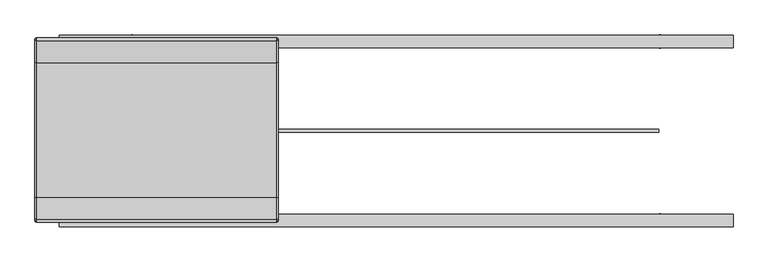
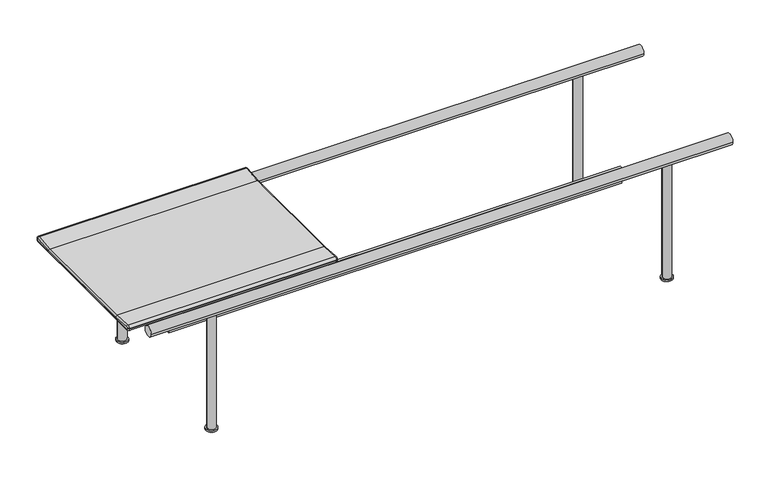
"""IFC4 building model written with IfcOpenShell, lengths in millimetres: furniture geometry."""

import ifcopenshell
import ifcopenshell.guid

model = None  # the IFC model being written
_history = None  # IfcOwnerHistory: only IFC2X3 demands one
_inside = {}  # id of a spatial element -> (the spatial element, [elements in it])
_under = {}  # id of a project, library or spatial element -> (it, [spatial elements below it])
_declared = {}  # id of a project -> (the project, [libraries it declares])
_typed = {}  # id of a type object -> (the type object, [elements of that type])
_made_of = {}  # id of a material, layer set ... -> (it, [elements and type objects made of it])


def new_model(schema):
    """Start an empty IFC model of exactly this schema.

    Asked for "IFC4X3", IfcOpenShell would pick the latest addendum, in which some entities
    have other attributes; the version numbers below select the first issue.
    IFC2X3 requires an IfcOwnerHistory on every rooted entity: one is made here for all.
    """
    global model, _history
    if schema == "IFC4X3":
        model = ifcopenshell.file(schema_version=(4, 3, 0, 0))
    else:
        model = ifcopenshell.file(schema=schema)
    _inside.clear()
    _under.clear()
    _declared.clear()
    _typed.clear()
    _made_of.clear()
    _history = None
    if model.schema == "IFC2X3":
        org = make("IfcOrganization", Name="unknown")
        user = make(
            "IfcPersonAndOrganization",
            ThePerson=make("IfcPerson", FamilyName="unknown"),
            TheOrganization=org,
        )
        app = make(
            "IfcApplication",
            ApplicationDeveloper=org,
            Version="unknown",
            ApplicationFullName="unknown",
            ApplicationIdentifier="unknown",
        )
        _history = make(
            "IfcOwnerHistory",
            OwningUser=user,
            OwningApplication=app,
            ChangeAction="ADDED",
            CreationDate=0,
        )
    return model


def make(cls, **values):
    """One entity of the class cls with the attributes given. An attribute that is None is left unset."""
    return model.create_entity(
        cls, **{name: value for name, value in values.items() if value is not None}
    )


def rooted(cls, **values):
    """An entity with a GlobalId (a new one), such as an element, a storey or a relation."""
    return make(cls, GlobalId=ifcopenshell.guid.new(), OwnerHistory=_history, **values)


def si_unit(unit_type, name, prefix=None):
    """IfcSIUnit, for example si_unit("LENGTHUNIT", "METRE", prefix="MILLI")."""
    return make("IfcSIUnit", UnitType=unit_type, Prefix=prefix, Name=name)


def assignment(units):
    """IfcUnitAssignment: the units of a project."""
    return None if units is None else make("IfcUnitAssignment", Units=units)


def point(xyz):
    """IfcCartesianPoint."""
    return None if xyz is None else make("IfcCartesianPoint", Coordinates=xyz)


def direction(xyz):
    """IfcDirection."""
    return None if xyz is None else make("IfcDirection", DirectionRatios=xyz)


def frame(location, z_axis=None, x_axis=None):
    """IfcAxis2Placement3D, a coordinate frame: its origin and axes. An axis left out is left unset."""
    return make(
        "IfcAxis2Placement3D",
        Location=point(location),
        Axis=direction(z_axis),
        RefDirection=direction(x_axis),
    )


def frame_2d(location, x_axis=None):
    """IfcAxis2Placement2D, a coordinate frame in the plane: its origin and x axis."""
    return make(
        "IfcAxis2Placement2D", Location=point(location), RefDirection=direction(x_axis)
    )


def origin():
    """The frame at (0, 0, 0) with its axes left unset."""
    return frame((0.0, 0.0, 0.0))


def origin_with_axes():
    """The frame at (0, 0, 0) with the z axis (0, 0, 1) and the x axis (1, 0, 0) written out."""
    return frame((0.0, 0.0, 0.0), z_axis=(0.0, 0.0, 1.0), x_axis=(1.0, 0.0, 0.0))


def place(relative_to, where):
    """IfcLocalPlacement: puts the frame where relative to a parent placement (None: the world)."""
    return make(
        "IfcLocalPlacement", PlacementRelTo=relative_to, RelativePlacement=where
    )


def context(
    kind, dimensions, precision=None, world=None, true_north=None, identifier=None
):
    """IfcGeometricRepresentationContext, for example the 3D "Model" context."""
    return make(
        "IfcGeometricRepresentationContext",
        ContextIdentifier=identifier,
        ContextType=kind,
        CoordinateSpaceDimension=dimensions,
        Precision=precision,
        WorldCoordinateSystem=world,
        TrueNorth=true_north,
    )


def project(units=None, contexts=None):
    """IfcProject with its units and contexts."""
    return rooted(
        "IfcProject",
        Name="project",
        RepresentationContexts=contexts,
        UnitsInContext=assignment(units),
    )


def spatial(cls, under=None, at=None, **own):
    """A site, building, storey or space (cls), placed at a placement, below another one or the project."""
    s = rooted(cls, ObjectPlacement=at, **own)
    if under is not None:
        _under.setdefault(under.id(), (under, []))[1].append(s)
    return s


def polyline(points):
    """IfcPolyline through the points."""
    return make("IfcPolyline", Points=[point(p) for p in points])


def circle_curve(where, radius):
    """IfcCircle in the frame where."""
    return make("IfcCircle", Position=where, Radius=radius)


def ellipse_curve(where, semi_axis1, semi_axis2):
    """IfcEllipse in the frame where."""
    return make(
        "IfcEllipse", Position=where, SemiAxis1=semi_axis1, SemiAxis2=semi_axis2
    )


def trimmed(basis, trim1, trim2, sense, master):
    """IfcTrimmedCurve: the piece of a basis curve between two trims."""
    return make(
        "IfcTrimmedCurve",
        BasisCurve=basis,
        Trim1=trim1,
        Trim2=trim2,
        SenseAgreement=sense,
        MasterRepresentation=master,
    )


def segment(curve, same_sense, transition):
    """IfcCompositeCurveSegment."""
    return make(
        "IfcCompositeCurveSegment",
        Transition=transition,
        SameSense=same_sense,
        ParentCurve=curve,
    )


def composite_curve(segments, self_intersect=None):
    """IfcCompositeCurve: segments joined end to end."""
    return make("IfcCompositeCurve", Segments=segments, SelfIntersect=self_intersect)


def outline(outer, holes=None, kind="AREA"):
    """IfcArbitraryClosedProfileDef: a profile drawn as a closed curve; with holes, ...WithVoids."""
    if holes is None:
        return make("IfcArbitraryClosedProfileDef", ProfileType=kind, OuterCurve=outer)
    return make(
        "IfcArbitraryProfileDefWithVoids",
        ProfileType=kind,
        OuterCurve=outer,
        InnerCurves=holes,
    )


def extrude(swept, where, along, depth):
    """IfcExtrudedAreaSolid: the profile swept, set in the frame where, extruded along a direction by depth."""
    return make(
        "IfcExtrudedAreaSolid",
        SweptArea=swept,
        Position=where,
        ExtrudedDirection=direction(along),
        Depth=depth,
    )


def shape(context_of_items, identifier, shape_type, items):
    """IfcShapeRepresentation: the items that make up one representation, for example the "Body"."""
    return make(
        "IfcShapeRepresentation",
        ContextOfItems=context_of_items,
        RepresentationIdentifier=identifier,
        RepresentationType=shape_type,
        Items=items,
    )


def source(mapping_origin, context_of_items, identifier, shape_type, items):
    """IfcRepresentationMap: a shape defined once, which mapped items show again and again."""
    return make(
        "IfcRepresentationMap",
        MappingOrigin=mapping_origin,
        MappedRepresentation=shape(context_of_items, identifier, shape_type, items),
    )


def transform(
    local_origin,
    x_axis=None,
    y_axis=None,
    z_axis=None,
    scale=None,
    scale2=None,
    scale3=None,
    uniform=True,
):
    """IfcCartesianTransformationOperator3D, or its non-uniform kind. x_axis, y_axis, z_axis: its Axis1, 2, 3."""
    if uniform:
        return make(
            "IfcCartesianTransformationOperator3D",
            Axis1=direction(x_axis),
            Axis2=direction(y_axis),
            LocalOrigin=point(local_origin),
            Scale=scale,
            Axis3=direction(z_axis),
        )
    return make(
        "IfcCartesianTransformationOperator3DnonUniform",
        Axis1=direction(x_axis),
        Axis2=direction(y_axis),
        LocalOrigin=point(local_origin),
        Scale=scale,
        Axis3=direction(z_axis),
        Scale2=scale2,
        Scale3=scale3,
    )


def mapped(mapping_source, mapping_target):
    """IfcMappedItem: shows the shape of a source again, moved by a transform."""
    return make(
        "IfcMappedItem", MappingSource=mapping_source, MappingTarget=mapping_target
    )


def made_of(thing, what):
    """Note that an element or type object is made of a material, layer set ...; save() writes the relation."""
    if what is not None:
        _made_of.setdefault(what.id(), (what, []))[1].append(thing)
    return thing


def element(
    cls,
    number,
    at=None,
    inside=None,
    cuts=None,
    type_object=None,
    material=None,
    context=None,
    identifier="Body",
    shape_type=None,
    held_by="IfcProductDefinitionShape",
    body=None,
    shapes=None,
    **own,
):
    """One element of the class cls, such as IfcWall. Its Tag is "e" and its number.

    at: its placement. inside: the storey or other place that contains it. cuts: it is an
    opening in that element (IfcRelVoidsElement). A single representation is given by context,
    identifier, shape_type and body (its items); several are given by shapes. held_by: the class
    of the entity that holds the representations. save() writes the other relations.
    """
    e = rooted(cls, Tag="e%d" % number, ObjectPlacement=at, **own)
    if body is not None:
        shapes = [shape(context, identifier, shape_type, body)]
    if shapes is not None:
        e.Representation = make(held_by, Representations=shapes)
    if inside is not None:
        _inside.setdefault(inside.id(), (inside, []))[1].append(e)
    if cuts is not None:
        rooted(
            "IfcRelVoidsElement", RelatingBuildingElement=cuts, RelatedOpeningElement=e
        )
    if type_object is not None:
        _typed.setdefault(type_object.id(), (type_object, []))[1].append(e)
    return made_of(e, material)


def aggregate(whole, parts):
    """IfcRelAggregates: a whole, such as a stair, and the parts it consists of."""
    return rooted("IfcRelAggregates", RelatingObject=whole, RelatedObjects=parts)


def save(model, path):
    """Write the relations noted so far, then the file.

    IfcRelAggregates (storeys below a building ...), IfcRelContainedInSpatialStructure (elements
    in a storey), IfcRelDefinesByType, IfcRelAssociatesMaterial and IfcRelDeclares: one each for
    every whole, place, type object, material and project.
    """
    for whole, parts in _under.values():
        aggregate(whole, parts)
    for where, things in _inside.values():
        rooted(
            "IfcRelContainedInSpatialStructure",
            RelatedElements=things,
            RelatingStructure=where,
        )
    for kind, things in _typed.values():
        rooted("IfcRelDefinesByType", RelatedObjects=things, RelatingType=kind)
    for what, things in _made_of.values():
        rooted("IfcRelAssociatesMaterial", RelatedObjects=things, RelatingMaterial=what)
    for by, libraries in _declared.values():
        rooted("IfcRelDeclares", RelatingContext=by, RelatedDefinitions=libraries)
    model.write(path)


def plane_surface(at):
    """IfcPlane: the flat surface through the origin of the frame at, square to its z axis."""
    return make("IfcPlane", Position=at)


def cylinder_surface(at, radius):
    """IfcCylindricalSurface: all points at the distance radius from the z axis of the frame at."""
    return make("IfcCylindricalSurface", Position=at, Radius=radius)


def revolved_surface(curve, axis_point, axis_direction):
    """IfcSurfaceOfRevolution: the curve turned about the line through axis_point along axis_direction."""
    return make(
        "IfcSurfaceOfRevolution",
        SweptCurve=make("IfcArbitraryOpenProfileDef", ProfileType="CURVE", Curve=curve),
        AxisPosition=make("IfcAxis1Placement", Location=point(axis_point), Axis=direction(axis_direction)),
    )


def advanced_brep(points, edges, surfaces, faces):
    """IfcAdvancedBrep: a solid bounded by faces that lie on surfaces and meet in shared edges.

    An edge is (start, end): straight between two places in points (the first is 0);
    or (start, end, curve); or (start, end, curve, False) where it runs against its curve.
    A face is (place in surfaces, loops), or (place, loops, False) where it looks against
    its surface's normal. A loop lists edges by number (the first is 1), with a minus sign
    where the edge is run from its end to its start. The first loop is the outer one.
    """
    corners = [point(p) for p in points]
    vertices = [make("IfcVertexPoint", VertexGeometry=c) for c in corners]
    made = []
    for start, end, *more in edges:
        made.append(
            make(
                "IfcEdgeCurve",
                EdgeStart=vertices[start],
                EdgeEnd=vertices[end],
                EdgeGeometry=more[0] if more else make("IfcPolyline", Points=[corners[start], corners[end]]),
                SameSense=more[1] if len(more) > 1 else True,
            )
        )
    hull = []
    for where, loops, *sense in faces:
        bounds = []
        for j, loop in enumerate(loops):
            ring = [make("IfcOrientedEdge", EdgeElement=made[abs(k) - 1], Orientation=k > 0) for k in loop]
            bounds.append(
                make(
                    "IfcFaceOuterBound" if j == 0 else "IfcFaceBound",
                    Bound=make("IfcEdgeLoop", EdgeList=ring),
                    Orientation=True,
                )
            )
        hull.append(make("IfcAdvancedFace", Bounds=bounds, FaceSurface=surfaces[where], SameSense=sense[0] if sense else True))
    return make("IfcAdvancedBrep", Outer=make("IfcClosedShell", CfsFaces=hull))


def furniture_730a962e(model_context):
    return source(origin(), model_context, "Body", "SolidModel", [
        advanced_brep(
        [(-315.5, 181.9050033, 423.2281613), (-315.5, -176.912469, 423.2281613), (-315.5, -235.6696536, 427.3368639), (-315.5, -238.3342698, 425.0638151), (-315.5, -238.5253765, 422.9090742), (-315.5, -236.2560129, 420.1979879), (-315.5, -235.4260063, 420.1243736), (-315.5, 240.4185407, 420.1243736), (-315.5, 241.2485472, 420.1979879), (-315.5, 243.5179109, 422.9090742), (-315.5, 243.3268041, 425.0638151), (-315.5, 240.662188, 427.3368639), (-965.1060612, -176.912469, 423.2281613), (-965.1060612, 181.9050033, 423.2281613), (-965.1060612, 240.662188, 427.3368639), (-965.1060612, 243.3268041, 425.0638151), (-965.1060612, 243.5179109, 422.9090742), (-965.1060612, 241.2485472, 420.1979879), (-965.1060612, 240.4185407, 420.1243736), (-965.1060612, -235.4260063, 420.1243736), (-965.1060612, -236.2560129, 420.1979879), (-965.1060612, -238.5253765, 422.9090742), (-965.1060612, -238.3342698, 425.0638151), (-965.1060612, -235.6696536, 427.3368639), (-960.1060612, 248.307254, 425.5055377), (-960.1060612, 240.3134056, 432.3246842), (-320.5, 240.3134056, 432.3246842), (-320.5, 248.307254, 425.5055377), (-960.1060612, 181.556221, 428.2159816), (-320.5, 181.556221, 428.2159816), (-960.1060612, -176.5636866, 428.2159816), (-320.5, -176.5636866, 428.2159816), (-960.1060612, -235.3208713, 432.3246842), (-320.5, -235.3208713, 432.3246842), (-960.1060612, -243.3147197, 425.5055377), (-320.5, -243.3147197, 425.5055377), (-960.1060612, -243.5058264, 423.3507968), (-320.5, -243.5058264, 423.3507968), (-960.1060612, -236.6977355, 415.217538), (-960.1060612, -235.8677289, 415.1439237), (-320.5, -235.8677289, 415.1439237), (-320.5, -236.6977355, 415.217538), (-960.1060612, 240.8602632, 415.1439237), (-320.5, 240.8602632, 415.1439237), (-960.1060612, 241.6902698, 415.217538), (-320.5, 241.6902698, 415.217538), (-960.1060612, 248.4983608, 423.3507968), (-320.5, 248.4983608, 423.3507968)],
        [
            (0, 1, circle_curve(frame((-315.5, 2.4962672, 2988.8926207), z_axis=(-1.0, 0.0, 0.0), x_axis=(0.0, -0.06975647374412147, -0.9975640502598245)), 2571.9295505)),
            (1, 2),
            (2, 3, circle_curve(frame((-315.5, -235.8440448, 424.8429538), z_axis=(1.0, 0.0, 0.0), x_axis=(0.0, -0.9960899788744718, 0.08834451870860047)), 2.5)),
            (3, 4),
            (4, 5, circle_curve(frame((-315.5, -236.0351516, 422.6882129), z_axis=(1.0, 0.0, 0.0), x_axis=(0.0, -0.08834451870869087, -0.9960899788744638)), 2.5)),
            (5, 6),
            (6, 7, circle_curve(frame((-315.5, 2.4962672, 3102.7129013), z_axis=(1.0, 0.0, 0.0), x_axis=(0.0, 0.08834451870780052, -0.9960899788745428)), 2693.1186787)),
            (7, 8),
            (8, 9, circle_curve(frame((-315.5, 241.0276859, 422.6882129), z_axis=(1.0, 0.0, 0.0), x_axis=(0.0, 0.996089978874471, 0.08834451870860997)), 2.5)),
            (9, 10),
            (10, 11, circle_curve(frame((-315.5, 240.8365791, 424.8429538), z_axis=(1.0, 0.0, 0.0), x_axis=(0.0, -0.06975647374412368, 0.9975640502598243)), 2.5)),
            (11, 0),
            (12, 13, circle_curve(frame((-965.1060612, 2.4962672, 2988.8926207), z_axis=(1.0, 0.0, 0.0), x_axis=(0.0, -0.06975647374412147, -0.9975640502598245)), 2571.9295505)),
            (13, 14),
            (14, 15, circle_curve(frame((-965.1060612, 240.8365791, 424.8429538), z_axis=(-1.0, 0.0, 0.0), x_axis=(0.0, -0.06975647374412368, 0.9975640502598243)), 2.5)),
            (15, 16),
            (16, 17, circle_curve(frame((-965.1060612, 241.0276859, 422.6882129), z_axis=(-1.0, 0.0, 0.0), x_axis=(0.0, 0.996089978874471, 0.08834451870860997)), 2.5)),
            (17, 18),
            (18, 19, circle_curve(frame((-965.1060612, 2.4962672, 3102.7129013), z_axis=(-1.0, 0.0, 0.0), x_axis=(0.0, 0.08834451870780052, -0.9960899788745428)), 2693.1186787)),
            (19, 20),
            (20, 21, circle_curve(frame((-965.1060612, -236.0351516, 422.6882129), z_axis=(-1.0, 0.0, 0.0), x_axis=(0.0, -0.08834451870869087, -0.9960899788744638)), 2.5)),
            (21, 22),
            (22, 23, circle_curve(frame((-965.1060612, -235.8440448, 424.8429538), z_axis=(-1.0, 0.0, 0.0), x_axis=(0.0, -0.9960899788744718, 0.08834451870860047)), 2.5)),
            (23, 12),
            (24, 25, circle_curve(frame((-960.1060612, 240.8365791, 424.8429538), z_axis=(1.0, 0.0, 0.0), x_axis=(0.0, -1.0, 0.0)), 7.5)),
            (25, 26),
            (26, 27, circle_curve(frame((-320.5, 240.8365791, 424.8429538), z_axis=(-1.0, 0.0, 0.0), x_axis=(0.0, -1.0, 0.0)), 7.5)),
            (27, 24),
            (25, 28),
            (28, 29),
            (29, 26),
            (28, 30, circle_curve(frame((-960.1060612, 2.4962672, 2988.8926207), z_axis=(-1.0, 0.0, 0.0), x_axis=(0.0, -1.0, 0.0)), 2566.9295505)),
            (30, 31),
            (31, 29, circle_curve(frame((-320.5, 2.4962672, 2988.8926207), z_axis=(1.0, 0.0, 0.0), x_axis=(0.0, -1.0, 0.0)), 2566.9295505)),
            (30, 32),
            (32, 33),
            (33, 31),
            (32, 34, circle_curve(frame((-960.1060612, -235.8440448, 424.8429538), z_axis=(1.0, 0.0, 0.0), x_axis=(0.0, -1.0, 0.0)), 7.5)),
            (34, 35),
            (35, 33, circle_curve(frame((-320.5, -235.8440448, 424.8429538), z_axis=(-1.0, 0.0, 0.0), x_axis=(0.0, -1.0, 0.0)), 7.5)),
            (34, 36),
            (36, 37),
            (37, 35),
            (38, 39),
            (39, 40),
            (40, 41),
            (41, 38),
            (39, 42, circle_curve(frame((-960.1060612, 2.4962672, 3102.7129013), z_axis=(1.0, 0.0, 0.0), x_axis=(0.0, -1.0, 0.0)), 2698.1186787)),
            (42, 43),
            (43, 40, circle_curve(frame((-320.5, 2.4962672, 3102.7129013), z_axis=(-1.0, 0.0, 0.0), x_axis=(0.0, -1.0, 0.0)), 2698.1186787)),
            (42, 44),
            (44, 45),
            (45, 43),
            (46, 24),
            (27, 47),
            (47, 46),
            (36, 38, circle_curve(frame((-960.1060612, -236.0351516, 422.6882129), z_axis=(1.0, 0.0, 0.0), x_axis=(0.0, -1.0, 0.0)), 7.5)),
            (41, 37, circle_curve(frame((-320.5, -236.0351516, 422.6882129), z_axis=(-1.0, 0.0, 0.0), x_axis=(0.0, -1.0, 0.0)), 7.5)),
            (44, 46, circle_curve(frame((-960.1060612, 241.0276859, 422.6882129), z_axis=(1.0, 0.0, 0.0), x_axis=(0.0, -1.0, 0.0)), 7.5)),
            (47, 45, circle_curve(frame((-320.5, 241.0276859, 422.6882129), z_axis=(-1.0, 0.0, 0.0), x_axis=(0.0, -1.0, 0.0)), 7.5)),
            (28, 13, circle_curve(frame((-960.1060612, 181.9050033, 423.2281613), z_axis=(0.0, -0.9975640502598243, -0.06975647374412525), x_axis=(1.0, 0.0, 0.0)), 5.0)),
            (12, 30, circle_curve(frame((-960.1060612, -176.912469, 423.2281613), z_axis=(0.0, 0.9975640502598245, -0.06975647374412139), x_axis=(1.0, 0.0, 0.0)), 5.0)),
            (25, 14, circle_curve(frame((-960.1060612, 240.662188, 427.3368639), z_axis=(0.0, -0.9975640502598243, -0.06975647374412515), x_axis=(1.0, 0.0, 0.0)), 5.0)),
            (24, 15, circle_curve(frame((-960.1060612, 243.3268041, 425.0638151), z_axis=(0.0, -0.08834451870861786, 0.9960899788744703), x_axis=(1.0, 0.0, 0.0)), 5.0)),
            (46, 16, circle_curve(frame((-960.1060612, 243.5179109, 422.9090742), z_axis=(0.0, -0.08834451870861516, 0.9960899788744705), x_axis=(1.0, 0.0, 0.0)), 5.0)),
            (44, 17, circle_curve(frame((-960.1060612, 241.2485472, 420.1979879), z_axis=(0.0, 0.9960899788745426, 0.08834451870780215), x_axis=(1.0, 0.0, 0.0)), 5.0)),
            (42, 18, circle_curve(frame((-960.1060612, 240.4185407, 420.1243736), z_axis=(0.0, 0.9960899788745432, 0.08834451870779789), x_axis=(1.0, 0.0, 0.0)), 5.0)),
            (39, 19, circle_curve(frame((-960.1060612, -235.4260063, 420.1243736), z_axis=(0.0, 0.996089978874464, -0.08834451870868822), x_axis=(1.0, 0.0, 0.0)), 5.0)),
            (38, 20, circle_curve(frame((-960.1060612, -236.2560129, 420.1979879), z_axis=(0.0, 0.9960899788744636, -0.08834451870869461), x_axis=(1.0, 0.0, 0.0)), 5.0)),
            (36, 21, circle_curve(frame((-960.1060612, -238.5253765, 422.9090742), z_axis=(0.0, -0.08834451870860094, -0.9960899788744718), x_axis=(1.0, 0.0, 0.0)), 5.0)),
            (34, 22, circle_curve(frame((-960.1060612, -238.3342698, 425.0638151), z_axis=(0.0, -0.08834451870860677, -0.9960899788744714), x_axis=(1.0, 0.0, 0.0)), 5.0)),
            (32, 23, circle_curve(frame((-960.1060612, -235.6696536, 427.3368639), z_axis=(0.0, -0.9975640502598245, 0.06975647374412108), x_axis=(1.0, 0.0, 0.0)), 5.0)),
            (0, 29, circle_curve(frame((-320.5, 181.9050033, 423.2281613), z_axis=(0.0, -0.9975640502598243, -0.06975647374412519), x_axis=(-1.0, 0.0, 0.0)), 5.0)),
            (31, 1, circle_curve(frame((-320.5, -176.912469, 423.2281613), z_axis=(0.0, 0.9975640502598245, -0.06975647374412139), x_axis=(-1.0, 0.0, 0.0)), 5.0)),
            (11, 26, circle_curve(frame((-320.5, 240.662188, 427.3368639), z_axis=(0.0, -0.9975640502598244, -0.06975647374412519), x_axis=(-1.0, 0.0, 0.0)), 5.0)),
            (10, 27, circle_curve(frame((-320.5, 243.3268041, 425.0638151), z_axis=(0.0, -0.0883445187086484, 0.9960899788744676), x_axis=(-1.0, 0.0, 0.0)), 5.0)),
            (9, 47, circle_curve(frame((-320.5, 243.5179109, 422.9090742), z_axis=(0.0, -0.08834451870861519, 0.9960899788744705), x_axis=(-1.0, 0.0, 0.0)), 5.0)),
            (8, 45, circle_curve(frame((-320.5, 241.2485472, 420.1979879), z_axis=(0.0, 0.996089978874542, 0.08834451870780947), x_axis=(-1.0, 0.0, 0.0)), 5.0)),
            (7, 43, circle_curve(frame((-320.5, 240.4185407, 420.1243736), z_axis=(0.0, 0.9960899788745432, 0.08834451870779796), x_axis=(-1.0, 0.0, 0.0)), 5.0)),
            (6, 40, circle_curve(frame((-320.5, -235.4260063, 420.1243736), z_axis=(0.0, 0.996089978874464, -0.08834451870868819), x_axis=(-1.0, 0.0, 0.0)), 5.0)),
            (5, 41, circle_curve(frame((-320.5, -236.2560129, 420.1979879), z_axis=(0.0, 0.9960899788744635, -0.08834451870869456), x_axis=(-1.0, 0.0, 0.0)), 5.0)),
            (4, 37, circle_curve(frame((-320.5, -238.5253765, 422.9090742), z_axis=(0.0, -0.08834451870860996, -0.996089978874471), x_axis=(-1.0, 0.0, 0.0)), 5.0)),
            (3, 35, circle_curve(frame((-320.5, -238.3342698, 425.0638151), z_axis=(0.0, -0.08834451870860673, -0.9960899788744714), x_axis=(-1.0, 0.0, 0.0)), 5.0)),
            (2, 33, circle_curve(frame((-320.5, -235.6696536, 427.3368639), z_axis=(0.0, -0.9975640502598242, 0.06975647374412614), x_axis=(-1.0, 0.0, 0.0)), 5.0)),
        ],
        [
            plane_surface(frame((-315.5, 233.3365791, 424.8429538), z_axis=(1.0, 0.0, 0.0), x_axis=(0.0, 0.0, -1.0))),
            plane_surface(frame((-965.1060612, 233.3365791, 424.8429538), z_axis=(-1.0, 0.0, 0.0), x_axis=(0.0, 0.0, 1.0))),
            cylinder_surface(frame((-965.1060612, 240.8365791, 424.8429538), z_axis=(1.0, 0.0, 0.0), x_axis=(0.0, -1.0, 0.0)), 7.5),
            plane_surface(frame((-315.5, 240.3134056, 432.3246842), z_axis=(0.0, -0.06975647374412508, 0.9975640502598243), x_axis=(-1.0, 0.0, 0.0))),
            revolved_surface(polyline([(-960.1060612, -2564.4332833, 2988.8926207), (-320.5, -2564.4332833, 2988.8926207)]), (-965.1060612, 2.4962672, 2988.8926207), (-1.0, 0.0, 0.0)),
            plane_surface(frame((-315.5, -176.5636866, 428.2159816), z_axis=(0.0, 0.06975647374412194, 0.9975640502598245), x_axis=(-1.0, 0.0, 0.0))),
            cylinder_surface(frame((-965.1060612, -235.8440448, 424.8429538), z_axis=(1.0, 0.0, 0.0), x_axis=(0.0, -1.0, 0.0)), 7.5),
            plane_surface(frame((-315.5, -243.3147197, 425.5055377), z_axis=(0.0, -0.9960899788744714, 0.08834451870860684), x_axis=(-1.0, 0.0, 0.0))),
            plane_surface(frame((-315.5, -236.6977355, 415.217538), z_axis=(0.0, -0.08834451870869824, -0.9960899788744633), x_axis=(-1.0, 0.0, 0.0))),
            cylinder_surface(frame((-965.1060612, 2.4962672, 3102.7129013), z_axis=(1.0, 0.0, 0.0), x_axis=(0.0, -1.0, 0.0)), 2698.1186787),
            plane_surface(frame((-315.5, 240.8602632, 415.1439237), z_axis=(0.0, 0.08834451870777084, -0.9960899788745454), x_axis=(-1.0, 0.0, 0.0))),
            plane_surface(frame((-315.5, 248.4983608, 423.3507968), z_axis=(0.0, 0.9960899788744708, 0.08834451870861235), x_axis=(-1.0, 0.0, 0.0))),
            cylinder_surface(frame((-965.1060612, -236.0351516, 422.6882129), z_axis=(1.0, 0.0, 0.0), x_axis=(0.0, -1.0, 0.0)), 7.5),
            cylinder_surface(frame((-965.1060612, 241.0276859, 422.6882129), z_axis=(1.0, 0.0, 0.0), x_axis=(0.0, -1.0, 0.0)), 7.5),
            revolved_surface(trimmed(ellipse_curve(frame((-960.1060612, -176.912469, 423.2281613), z_axis=(0.0, -0.9975640502598245, 0.06975647374412139), x_axis=(1.0, 0.0, 0.0)), 5.0, 5.0), [point((-960.1060612, -176.5636866, 428.2159816))], [point((-965.1060612, -176.912469, 423.2281613))], True, "CARTESIAN"), (-965.1060612, 2.4962672, 2988.8926207), (1.0, 0.0, 0.0)),
            cylinder_surface(frame((-960.1060612, 181.9050033, 423.2281613), z_axis=(0.0, 0.9975640502598243, 0.06975647374412515), x_axis=(1.0, 0.0, 0.0)), 5.0),
            revolved_surface(trimmed(ellipse_curve(frame((-960.1060612, 240.662188, 427.3368639), z_axis=(0.0, -0.9975640502598243, -0.06975647374412383), x_axis=(1.0, 0.0, 0.0)), 5.0, 5.0), [point((-960.1060612, 240.3134056, 432.3246842))], [point((-965.1060612, 240.662188, 427.3368639))], True, "CARTESIAN"), (-965.1060612, 240.8365791, 424.8429538), (-1.0, 0.0, 0.0)),
            cylinder_surface(frame((-960.1060612, 243.3268041, 425.0638151), z_axis=(0.0, 0.08834451870861516, -0.9960899788744705), x_axis=(1.0, 0.0, 0.0)), 5.0),
            revolved_surface(trimmed(ellipse_curve(frame((-960.1060612, 243.5179109, 422.9090742), z_axis=(0.0, -0.08834451870861004, 0.996089978874471), x_axis=(1.0, 0.0, 0.0)), 5.0, 5.0), [point((-960.1060612, 248.4983608, 423.3507968))], [point((-965.1060612, 243.5179109, 422.9090742))], True, "CARTESIAN"), (-965.1060612, 241.0276859, 422.6882129), (-1.0, 0.0, 0.0)),
            cylinder_surface(frame((-960.1060612, 241.2485472, 420.1979879), z_axis=(0.0, -0.9960899788745432, -0.08834451870779789), x_axis=(1.0, 0.0, 0.0)), 5.0),
            revolved_surface(trimmed(ellipse_curve(frame((-960.1060612, 240.4185407, 420.1243736), z_axis=(0.0, 0.9960899788745428, 0.08834451870780066), x_axis=(1.0, 0.0, 0.0)), 5.0, 5.0), [point((-960.1060612, 240.8602632, 415.1439237))], [point((-965.1060612, 240.4185407, 420.1243736))], True, "CARTESIAN"), (-965.1060612, 2.4962672, 3102.7129013), (-1.0, 0.0, 0.0)),
            cylinder_surface(frame((-960.1060612, -235.4260063, 420.1243736), z_axis=(0.0, -0.9960899788744636, 0.08834451870869461), x_axis=(1.0, 0.0, 0.0)), 5.0),
            revolved_surface(trimmed(ellipse_curve(frame((-960.1060612, -236.2560129, 420.1979879), z_axis=(0.0, 0.9960899788744638, -0.0883445187086908), x_axis=(1.0, 0.0, 0.0)), 5.0, 5.0), [point((-960.1060612, -236.6977355, 415.217538))], [point((-965.1060612, -236.2560129, 420.1979879))], True, "CARTESIAN"), (-965.1060612, -236.0351516, 422.6882129), (-1.0, 0.0, 0.0)),
            cylinder_surface(frame((-960.1060612, -238.5253765, 422.9090742), z_axis=(0.0, 0.08834451870860677, 0.9960899788744714), x_axis=(1.0, 0.0, 0.0)), 5.0),
            revolved_surface(trimmed(ellipse_curve(frame((-960.1060612, -238.3342698, 425.0638151), z_axis=(0.0, -0.08834451870860051, -0.9960899788744718), x_axis=(1.0, 0.0, 0.0)), 5.0, 5.0), [point((-960.1060612, -243.3147197, 425.5055377))], [point((-965.1060612, -238.3342698, 425.0638151))], True, "CARTESIAN"), (-965.1060612, -235.8440448, 424.8429538), (-1.0, 0.0, 0.0)),
            cylinder_surface(frame((-960.1060612, -235.6696536, 427.3368639), z_axis=(0.0, 0.9975640502598245, -0.06975647374412179), x_axis=(1.0, 0.0, 0.0)), 5.0),
            revolved_surface(trimmed(ellipse_curve(frame((-320.5, -176.912469, 423.2281613), z_axis=(0.0, -0.9975640502598245, 0.06975647374412139), x_axis=(-1.0, 0.0, 0.0)), 5.0, 5.0), [point((-315.5, -176.912469, 423.2281613))], [point((-320.5, -176.5636866, 428.2159816))], True, "CARTESIAN"), (-315.5, 2.4962672, 2988.8926207), (1.0, 0.0, 0.0)),
            cylinder_surface(frame((-320.5, 181.9050033, 423.2281613), z_axis=(0.0, 0.9975640502598242, 0.06975647374412518), x_axis=(-1.0, 0.0, 0.0)), 5.0),
            revolved_surface(trimmed(ellipse_curve(frame((-320.5, 240.662188, 427.3368639), z_axis=(0.0, -0.9975640502598243, -0.06975647374412386), x_axis=(-1.0, 0.0, 0.0)), 5.0, 5.0), [point((-315.5, 240.662188, 427.3368639))], [point((-320.5, 240.3134056, 432.3246842))], True, "CARTESIAN"), (-315.5, 240.8365791, 424.8429538), (-1.0, 0.0, 0.0)),
            cylinder_surface(frame((-320.5, 243.3268041, 425.0638151), z_axis=(0.0, 0.08834451870861519, -0.9960899788744705), x_axis=(-1.0, 0.0, 0.0)), 5.0),
            revolved_surface(trimmed(ellipse_curve(frame((-320.5, 243.5179109, 422.9090742), z_axis=(0.0, -0.08834451870861007, 0.996089978874471), x_axis=(-1.0, 0.0, 0.0)), 5.0, 5.0), [point((-315.5, 243.5179109, 422.9090742))], [point((-320.5, 248.4983608, 423.3507968))], True, "CARTESIAN"), (-315.5, 241.0276859, 422.6882129), (-1.0, 0.0, 0.0)),
            cylinder_surface(frame((-320.5, 241.2485472, 420.1979879), z_axis=(0.0, -0.996089978874543, -0.08834451870779794), x_axis=(-1.0, 0.0, 0.0)), 5.0),
            revolved_surface(trimmed(ellipse_curve(frame((-320.5, 240.4185407, 420.1243736), z_axis=(0.0, 0.9960899788745428, 0.08834451870780073), x_axis=(-1.0, 0.0, 0.0)), 5.0, 5.0), [point((-315.5, 240.4185407, 420.1243736))], [point((-320.5, 240.8602632, 415.1439237))], True, "CARTESIAN"), (-315.5, 2.4962672, 3102.7129013), (-1.0, 0.0, 0.0)),
            cylinder_surface(frame((-320.5, -235.4260063, 420.1243736), z_axis=(0.0, -0.9960899788744635, 0.08834451870869456), x_axis=(-1.0, 0.0, 0.0)), 5.0),
            revolved_surface(trimmed(ellipse_curve(frame((-320.5, -236.2560129, 420.1979879), z_axis=(0.0, 0.9960899788744638, -0.08834451870869076), x_axis=(-1.0, 0.0, 0.0)), 5.0, 5.0), [point((-315.5, -236.2560129, 420.1979879))], [point((-320.5, -236.6977355, 415.217538))], True, "CARTESIAN"), (-315.5, -236.0351516, 422.6882129), (-1.0, 0.0, 0.0)),
            cylinder_surface(frame((-320.5, -238.5253765, 422.9090742), z_axis=(0.0, 0.08834451870860673, 0.9960899788744714), x_axis=(-1.0, 0.0, 0.0)), 5.0),
            revolved_surface(trimmed(ellipse_curve(frame((-320.5, -238.3342698, 425.0638151), z_axis=(0.0, -0.08834451870860047, -0.9960899788744718), x_axis=(-1.0, 0.0, 0.0)), 5.0, 5.0), [point((-315.5, -238.3342698, 425.0638151))], [point((-320.5, -243.3147197, 425.5055377))], True, "CARTESIAN"), (-315.5, -235.8440448, 424.8429538), (-1.0, 0.0, 0.0)),
            cylinder_surface(frame((-320.5, -235.6696536, 427.3368639), z_axis=(0.0, 0.9975640502598245, -0.06975647374412176), x_axis=(-1.0, 0.0, 0.0)), 5.0),
        ],
        [
            (0, [[1, 2, 3, 4, 5, 6, 7, 8, 9, 10, 11, 12]]),
            (1, [[13, 14, 15, 16, 17, 18, 19, 20, 21, 22, 23, 24]]),
            (2, [[25, 26, 27, 28]]),
            (3, [[29, 30, 31, -26]]),
            (4, [[32, 33, 34, -30]]),
            (5, [[35, 36, 37, -33]]),
            (6, [[38, 39, 40, -36]]),
            (7, [[41, 42, 43, -39]]),
            (8, [[44, 45, 46, 47]]),
            (9, [[48, 49, 50, -45]]),
            (10, [[51, 52, 53, -49]]),
            (11, [[54, -28, 55, 56]]),
            (12, [[57, -47, 58, -42]]),
            (13, [[59, -56, 60, -52]]),
            (14, [[61, -13, 62, -32]]),
            (15, [[-61, -29, 63, -14]]),
            (16, [[-63, -25, 64, -15]]),
            (17, [[-64, -54, 65, -16]]),
            (18, [[-65, -59, 66, -17]]),
            (19, [[-66, -51, 67, -18]]),
            (20, [[-67, -48, 68, -19]]),
            (21, [[-68, -44, 69, -20]]),
            (22, [[-69, -57, 70, -21]]),
            (23, [[-70, -41, 71, -22]]),
            (24, [[-71, -38, 72, -23]]),
            (25, [[-62, -24, -72, -35]]),
            (26, [[73, -34, 74, -1]]),
            (27, [[-73, -12, 75, -31]]),
            (28, [[-75, -11, 76, -27]]),
            (29, [[-76, -10, 77, -55]]),
            (30, [[-77, -9, 78, -60]]),
            (31, [[-78, -8, 79, -53]]),
            (32, [[-79, -7, 80, -50]]),
            (33, [[-80, -6, 81, -46]]),
            (34, [[-81, -5, 82, -58]]),
            (35, [[-82, -4, 83, -43]]),
            (36, [[-83, -3, 84, -40]]),
            (37, [[-74, -37, -84, -2]]),
        ],
    ),
        extrude(outline(composite_curve([segment(trimmed(circle_curve(frame_2d((704.9999552, 238.988073)), 13.0), [point((717.9999552, 238.988073))], [point((691.9999552, 238.988073))], False, "CARTESIAN"), True, "CONTINUOUS"), segment(trimmed(circle_curve(frame_2d((704.9999552, 238.988073)), 13.0), [point((691.9999552, 238.988073))], [point((717.9999552, 238.988073))], False, "CARTESIAN"), True, "CONTINUOUS")], self_intersect=False)), frame((0.0, 0.0, 10.0), z_axis=(0.0, 0.0, 1.0), x_axis=(1.0, 0.0, 0.0)), (0.0, 0.0, 1.0), 375.0),
        extrude(outline(composite_curve([segment(trimmed(circle_curve(frame_2d((704.9999552, -239.011927)), 13.0), [point((717.9999552, -239.011927))], [point((691.9999552, -239.011927))], False, "CARTESIAN"), True, "CONTINUOUS"), segment(trimmed(circle_curve(frame_2d((704.9999552, -239.011927)), 13.0), [point((691.9999552, -239.011927))], [point((717.9999552, -239.011927))], False, "CARTESIAN"), True, "CONTINUOUS")], self_intersect=False)), frame((0.0, 0.0, 10.0), z_axis=(0.0, 0.0, 1.0), x_axis=(1.0, 0.0, 0.0)), (0.0, 0.0, 1.0), 376.6636493),
        extrude(outline(composite_curve([segment(trimmed(circle_curve(frame_2d((238.988073, 392.15)), 16.85), [point((255.838073, 392.15))], [point((222.138073, 392.15))], False, "CARTESIAN"), True, "CONTINUOUS"), segment(trimmed(circle_curve(frame_2d((238.988073, 392.15)), 16.85), [point((222.138073, 392.15))], [point((255.838073, 392.15))], False, "CARTESIAN"), True, "CONTINUOUS")], self_intersect=False)), frame((-899.9999552, 0.0, 0.0), z_axis=(1.0, 0.0, 0.0), x_axis=(0.0, 1.0, 0.0)), (0.0, 0.0, 1.0), 1800.0),
        extrude(outline(composite_curve([segment(trimmed(circle_curve(frame_2d((-239.011927, 392.15)), 16.85), [point((-222.161927, 392.15))], [point((-255.861927, 392.15))], False, "CARTESIAN"), True, "CONTINUOUS"), segment(trimmed(circle_curve(frame_2d((-239.011927, 392.15)), 16.85), [point((-255.861927, 392.15))], [point((-222.161927, 392.15))], False, "CARTESIAN"), True, "CONTINUOUS")], self_intersect=False)), frame((-899.9999552, 0.0, 0.0), z_axis=(1.0, 0.0, 0.0), x_axis=(0.0, 1.0, 0.0)), (0.0, 0.0, 1.0), 1800.0),
        extrude(outline(polyline([(701.0251424, 3.913073), (701.0251424, -3.936927), (-701.0250529, -3.936927), (-701.0250529, 3.913073), (701.0251424, 3.913073)])), frame((0.0, 0.0, 175.0), z_axis=(0.0, 0.0, 1.0), x_axis=(1.0, 0.0, 0.0)), (0.0, 0.0, 1.0), 50.0),
        extrude(outline(composite_curve([segment(trimmed(circle_curve(frame_2d((705.0000448, 238.988073)), 10.0), [point((715.0000448, 238.988073))], [point((695.0000448, 238.988073))], False, "CARTESIAN"), True, "CONTINUOUS"), segment(trimmed(circle_curve(frame_2d((705.0000448, 238.988073)), 10.0), [point((695.0000448, 238.988073))], [point((715.0000448, 238.988073))], False, "CARTESIAN"), True, "CONTINUOUS")], self_intersect=False)), origin_with_axes(), (0.0, 0.0, 1.0), 5.0095249),
        extrude(outline(composite_curve([segment(trimmed(circle_curve(frame_2d((705.0000448, 238.988073)), 17.5), [point((722.5000448, 238.988073))], [point((687.5000448, 238.988073))], False, "CARTESIAN"), True, "CONTINUOUS"), segment(trimmed(circle_curve(frame_2d((705.0000448, 238.988073)), 17.5), [point((687.5000448, 238.988073))], [point((722.5000448, 238.988073))], False, "CARTESIAN"), True, "CONTINUOUS")], self_intersect=False)), frame((0.0, 0.0, 5.0095249), z_axis=(0.0, 0.0, 1.0), x_axis=(1.0, 0.0, 0.0)), (0.0, 0.0, 1.0), 4.9904751),
        extrude(outline(composite_curve([segment(trimmed(circle_curve(frame_2d((-704.9999552, 238.988073)), 10.0), [point((-714.9999552, 238.988073))], [point((-694.9999552, 238.988073))], False, "CARTESIAN"), True, "CONTINUOUS"), segment(trimmed(circle_curve(frame_2d((-704.9999552, 238.988073)), 10.0), [point((-694.9999552, 238.988073))], [point((-714.9999552, 238.988073))], False, "CARTESIAN"), True, "CONTINUOUS")], self_intersect=False)), origin_with_axes(), (0.0, 0.0, 1.0), 5.0095249),
        extrude(outline(composite_curve([segment(trimmed(circle_curve(frame_2d((-704.9999552, 238.988073)), 17.5), [point((-722.4999552, 238.988073))], [point((-687.4999552, 238.988073))], False, "CARTESIAN"), True, "CONTINUOUS"), segment(trimmed(circle_curve(frame_2d((-704.9999552, 238.988073)), 17.5), [point((-687.4999552, 238.988073))], [point((-722.4999552, 238.988073))], False, "CARTESIAN"), True, "CONTINUOUS")], self_intersect=False)), frame((0.0, 0.0, 5.0095249), z_axis=(0.0, 0.0, 1.0), x_axis=(1.0, 0.0, 0.0)), (0.0, 0.0, 1.0), 4.9904751),
        extrude(outline(composite_curve([segment(trimmed(circle_curve(frame_2d((-704.9999552, 238.988073)), 13.0), [point((-717.9999552, 238.988073))], [point((-691.9999552, 238.988073))], False, "CARTESIAN"), True, "CONTINUOUS"), segment(trimmed(circle_curve(frame_2d((-704.9999552, 238.988073)), 13.0), [point((-691.9999552, 238.988073))], [point((-717.9999552, 238.988073))], False, "CARTESIAN"), True, "CONTINUOUS")], self_intersect=False)), frame((0.0, 0.0, 10.0), z_axis=(0.0, 0.0, 1.0), x_axis=(1.0, 0.0, 0.0)), (0.0, 0.0, 1.0), 375.0),
        extrude(outline(composite_curve([segment(trimmed(circle_curve(frame_2d((705.0000448, -239.011927)), 10.0), [point((715.0000448, -239.011927))], [point((695.0000448, -239.011927))], False, "CARTESIAN"), True, "CONTINUOUS"), segment(trimmed(circle_curve(frame_2d((705.0000448, -239.011927)), 10.0), [point((695.0000448, -239.011927))], [point((715.0000448, -239.011927))], False, "CARTESIAN"), True, "CONTINUOUS")], self_intersect=False)), origin_with_axes(), (0.0, 0.0, 1.0), 5.0095249),
        extrude(outline(composite_curve([segment(trimmed(circle_curve(frame_2d((705.0000448, -239.011927)), 17.5), [point((722.5000448, -239.011927))], [point((687.5000448, -239.011927))], False, "CARTESIAN"), True, "CONTINUOUS"), segment(trimmed(circle_curve(frame_2d((705.0000448, -239.011927)), 17.5), [point((687.5000448, -239.011927))], [point((722.5000448, -239.011927))], False, "CARTESIAN"), True, "CONTINUOUS")], self_intersect=False)), frame((0.0, 0.0, 5.0095249), z_axis=(0.0, 0.0, 1.0), x_axis=(1.0, 0.0, 0.0)), (0.0, 0.0, 1.0), 4.9904751),
        extrude(outline(composite_curve([segment(trimmed(circle_curve(frame_2d((-704.9999552, -239.011927)), 10.0), [point((-714.9999552, -239.011927))], [point((-694.9999552, -239.011927))], False, "CARTESIAN"), True, "CONTINUOUS"), segment(trimmed(circle_curve(frame_2d((-704.9999552, -239.011927)), 10.0), [point((-694.9999552, -239.011927))], [point((-714.9999552, -239.011927))], False, "CARTESIAN"), True, "CONTINUOUS")], self_intersect=False)), origin_with_axes(), (0.0, 0.0, 1.0), 5.0095249),
        extrude(outline(composite_curve([segment(trimmed(circle_curve(frame_2d((-704.9999552, -239.011927)), 17.5), [point((-722.4999552, -239.011927))], [point((-687.4999552, -239.011927))], False, "CARTESIAN"), True, "CONTINUOUS"), segment(trimmed(circle_curve(frame_2d((-704.9999552, -239.011927)), 17.5), [point((-687.4999552, -239.011927))], [point((-722.4999552, -239.011927))], False, "CARTESIAN"), True, "CONTINUOUS")], self_intersect=False)), frame((0.0, 0.0, 5.0095249), z_axis=(0.0, 0.0, 1.0), x_axis=(1.0, 0.0, 0.0)), (0.0, 0.0, 1.0), 4.9904751),
        extrude(outline(composite_curve([segment(trimmed(circle_curve(frame_2d((-704.9999552, -239.011927)), 13.0), [point((-717.9999552, -239.011927))], [point((-691.9999552, -239.011927))], False, "CARTESIAN"), True, "CONTINUOUS"), segment(trimmed(circle_curve(frame_2d((-704.9999552, -239.011927)), 13.0), [point((-691.9999552, -239.011927))], [point((-717.9999552, -239.011927))], False, "CARTESIAN"), True, "CONTINUOUS")], self_intersect=False)), frame((0.0, 0.0, 10.0), z_axis=(0.0, 0.0, 1.0), x_axis=(1.0, 0.0, 0.0)), (0.0, 0.0, 1.0), 376.6636493),
    ])


if __name__ == "__main__":
    model = new_model("IFC4")
    model_context = context("Model", 3, world=origin())
    ifc_project = project(units=[si_unit("LENGTHUNIT", "METRE", prefix="MILLI")], contexts=[model_context])
    site = spatial("IfcSite", under=ifc_project)
    building = spatial("IfcBuilding", under=site)
    placement = place(None, origin())
    furniture_shape = furniture_730a962e(model_context)
    element("IfcFurniture", 1, at=placement, inside=building, context=model_context, shape_type="MappedRepresentation", body=[
        mapped(furniture_shape, transform((0.0, 0.0, 0.0), x_axis=(1.0, 0.0, 0.0), y_axis=(0.0, 1.0, 0.0), z_axis=(0.0, 0.0, 1.0))),
    ])
    save(model, "model.ifc")
